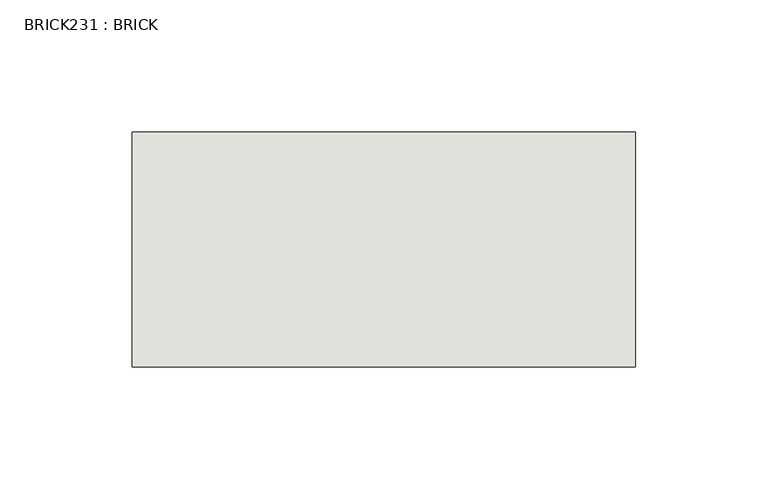
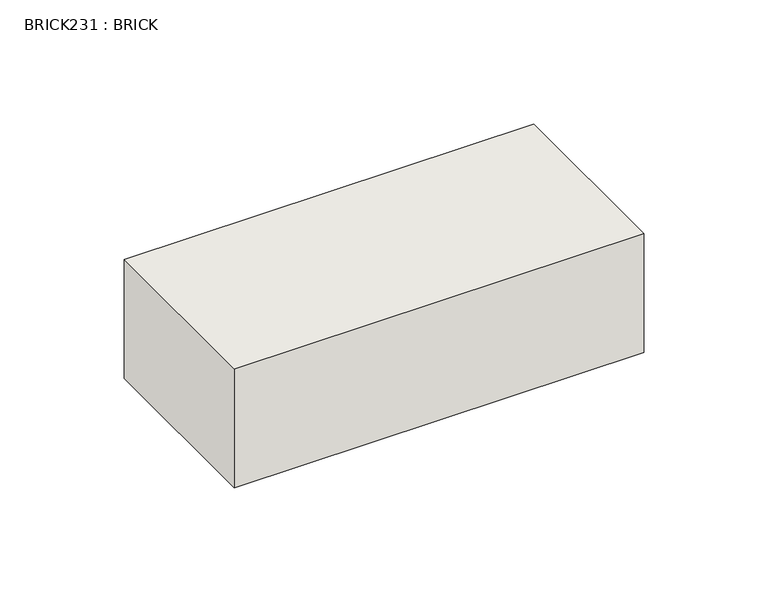
"""IFC4 building model written with IfcOpenShell, lengths in millimetres: wall geometry, BRICK231 : BRICK."""

from ifc_helpers import new_model, si_unit, frame, origin, place, context, project, spatial, polyline, outline, extrude, source, transform, mapped, element, save


def brick231_brick_2f6cc2da(model_context):
    return source(origin(), model_context, "Body", "SweptSolid", [
        extrude(outline(polyline([(-1581.5316239, 3062.3923312), (-1391.0316239, 3062.3923312), (-1391.0316239, 2973.4923312), (-1581.5316239, 2973.4923312), (-1581.5316239, 3062.3923312)])), frame((0.0, 0.0, 353.7148438), z_axis=(0.0, 0.0, 1.0), x_axis=(1.0, 0.0, 0.0)), (0.0, 0.0, 1.0), 58.4398437),
    ])


if __name__ == "__main__":
    model = new_model("IFC4")
    model_context = context("Model", 3, world=origin())
    ifc_project = project(units=[si_unit("LENGTHUNIT", "METRE", prefix="MILLI")], contexts=[model_context])
    site = spatial("IfcSite", under=ifc_project)
    building = spatial("IfcBuilding", under=site)
    placement = place(None, origin())
    brick231_brick_shape = brick231_brick_2f6cc2da(model_context)
    element("IfcWall", 1, ObjectType="BRICK231 : BRICK", at=placement, inside=building, context=model_context, shape_type="MappedRepresentation", body=[
        mapped(brick231_brick_shape, transform((0.0, 0.0, 0.0), x_axis=(1.0, 0.0, 0.0), y_axis=(0.0, 1.0, 0.0), z_axis=(0.0, 0.0, 1.0))),
    ])
    save(model, "model.ifc")
